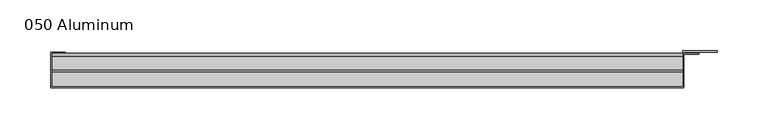
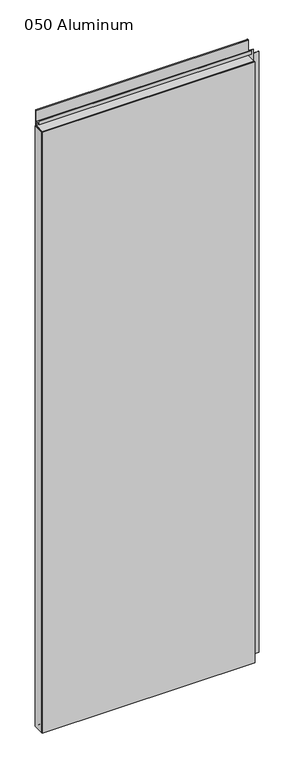
"""IFC4 building model written with IfcOpenShell, lengths in millimetres: plate geometry, 050 Aluminum."""

from ifc_helpers import new_model, si_unit, point, frame, frame_2d, origin, origin_with_axes, place, context, project, spatial, polyline, circle_curve, trimmed, segment, composite_curve, outline, extrude, source, transform, mapped, element, save


def plate_050_aluminum_b4839772(model_context):
    return source(origin(), model_context, "Body", "SweptSolid", [
        extrude(outline(polyline([(-315.9654167, -2.5660257), (-315.9654167, -34.7980001), (-317.2354166, -34.7980001), (-317.2354166, -1.2699999), (-303.0749161, -1.2699999), (-303.0749161, -2.5660257), (-315.9654167, -2.5660257)])), origin_with_axes(), (0.0, 0.0, 1.0), 1852.93),
        extrude(outline(composite_curve([segment(polyline([(-16.6765477, 13.1458337), (-16.6765477, 2.786437), (-17.9464915, 2.786437), (-17.9464915, 13.1323356)]), True, "CONTINUOUS"), segment(trimmed(circle_curve(frame_2d((-19.8514743, 13.124237)), 1.905), [point((-17.9464915, 13.1323356))], [point((-21.7564743, 13.124237))], True, "CARTESIAN"), True, "CONTINUOUS"), segment(polyline([(-21.7564743, 13.124237), (-21.7564743, 0.0), (-34.7980002, 0.0), (-34.7980002, 1.2693678), (-23.0264743, 1.2693678), (-23.0264743, 13.124237)]), True, "CONTINUOUS"), segment(trimmed(circle_curve(frame_2d((-19.8514743, 13.124237)), 3.175), [point((-23.0264743, 13.124237))], [point((-16.6765477, 13.1458337))], False, "CARTESIAN"), True, "CONTINUOUS")], self_intersect=False)), frame((-315.9654167, 0.0, 0.0), z_axis=(1.0, 0.0, 0.0), x_axis=(0.0, 1.0, 0.0)), (0.0, 0.0, 1.0), 619.2308333),
        extrude(outline(composite_curve([segment(polyline([(-2.0574743, 1901.3932001), (-2.0574743, 1852.93), (-34.7980002, 1852.93), (-34.7980002, 1854.2000001), (-3.3274743, 1854.2000001), (-3.3274743, 1901.3932001)]), True, "CONTINUOUS"), segment(trimmed(circle_curve(frame_2d((-3.7084742, 1901.3932001)), 0.3809999), [point((-3.3274743, 1901.3932001))], [point((-4.0894742, 1901.3932001))], True, "CARTESIAN"), True, "CONTINUOUS"), segment(polyline([(-4.0894742, 1901.3932001), (-4.0894742, 1866.9), (-20.4864742, 1866.9), (-20.4864742, 1878.2538), (-19.2164743, 1878.2538), (-19.2164743, 1868.17), (-5.3594742, 1868.17), (-5.3594742, 1901.3932001)]), True, "CONTINUOUS"), segment(trimmed(circle_curve(frame_2d((-3.7084742, 1901.3932001)), 1.6509999), [point((-5.3594742, 1901.3932001))], [point((-2.0574743, 1901.3932001))], False, "CARTESIAN"), True, "CONTINUOUS")], self_intersect=False)), frame((-315.9654167, 0.0, 0.0), z_axis=(1.0, 0.0, 0.0), x_axis=(0.0, 1.0, 0.0)), (0.0, 0.0, 1.0), 619.2308333),
        extrude(outline(polyline([(-317.2354167, -36.068), (-317.2354167, -34.7980001), (304.5354167, -34.7980001), (304.5354167, -36.068), (-317.2354167, -36.068)])), origin_with_axes(), (0.0, 0.0, 1.0), 1854.2),
        extrude(outline(polyline([(304.5354167, -1.2699999), (304.5354167, -34.7980002), (303.2654167, -34.7980002), (303.2654167, 0.0), (337.0475023, 0.0), (337.0475023, -1.2699999), (304.5354167, -1.2699999)])), origin_with_axes(), (0.0, 0.0, 1.0), 1852.93),
        extrude(outline(polyline([(303.2654167, -3.3274743), (303.2654167, -2.0574743), (319.0134166, -2.0574743), (319.0134166, -3.3274743), (303.2654167, -3.3274743)])), origin_with_axes(), (0.0, 0.0, 1.0), 1866.9),
    ])


if __name__ == "__main__":
    model = new_model("IFC4")
    model_context = context("Model", 3, world=origin())
    ifc_project = project(units=[si_unit("LENGTHUNIT", "METRE", prefix="MILLI")], contexts=[model_context])
    site = spatial("IfcSite", under=ifc_project)
    building = spatial("IfcBuilding", under=site)
    placement = place(None, origin())
    plate_050_aluminum_shape = plate_050_aluminum_b4839772(model_context)
    element("IfcPlate", 1, ObjectType="050 Aluminum", at=placement, inside=building, context=model_context, shape_type="MappedRepresentation", body=[
        mapped(plate_050_aluminum_shape, transform((0.0, 0.0, 0.0), x_axis=(1.0, 0.0, 0.0), y_axis=(0.0, 1.0, 0.0), z_axis=(0.0, 0.0, 1.0))),
    ])
    save(model, "model.ifc")
